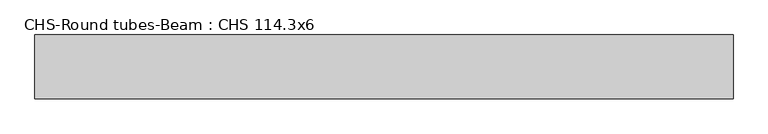
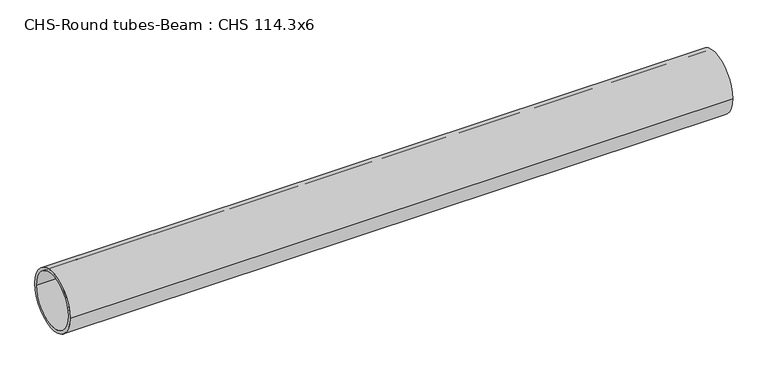
"""IFC4 building model written with IfcOpenShell, lengths in millimetres: beam geometry, CHS-Round tubes-Beam : CHS 114.3x6."""

from ifc_helpers import new_model, si_unit, point, frame, origin, origin_2d, place, context, project, spatial, circle_curve, trimmed, segment, composite_curve, outline, extrude, source, transform, mapped, element, save


def chs_round_tubes_beam_chs_114_3x6_db41c3c8(model_context):
    return source(origin(), model_context, "Body", "SweptSolid", [
        extrude(outline(composite_curve([segment(trimmed(circle_curve(origin_2d(), 57.15), [point((57.15, 0.0))], [point((-57.15, 0.0))], False, "CARTESIAN"), True, "CONTINUOUS"), segment(trimmed(circle_curve(origin_2d(), 57.15), [point((-57.15, 0.0))], [point((57.15, 0.0))], False, "CARTESIAN"), True, "CONTINUOUS")], self_intersect=False), holes=[composite_curve([segment(trimmed(circle_curve(origin_2d(), 51.15), [point((51.15, 0.0))], [point((-51.15, 0.0))], True, "CARTESIAN"), True, "CONTINUOUS"), segment(trimmed(circle_curve(origin_2d(), 51.15), [point((-51.15, 0.0))], [point((51.15, 0.0))], True, "CARTESIAN"), True, "CONTINUOUS")], self_intersect=False)]), frame((-625.5158917, 0.0, 0.0), z_axis=(1.0, 0.0, 0.0), x_axis=(0.0, 1.0, 0.0)), (0.0, 0.0, 1.0), 1245.5597961),
    ])


if __name__ == "__main__":
    model = new_model("IFC4")
    model_context = context("Model", 3, world=origin())
    ifc_project = project(units=[si_unit("LENGTHUNIT", "METRE", prefix="MILLI")], contexts=[model_context])
    site = spatial("IfcSite", under=ifc_project)
    building = spatial("IfcBuilding", under=site)
    placement = place(None, origin())
    chs_round_tubes_beam_chs_114_3x6_shape = chs_round_tubes_beam_chs_114_3x6_db41c3c8(model_context)
    element("IfcBeam", 1, ObjectType="CHS-Round tubes-Beam : CHS 114.3x6", at=placement, inside=building, context=model_context, shape_type="MappedRepresentation", body=[
        mapped(chs_round_tubes_beam_chs_114_3x6_shape, transform((0.0, 0.0, 0.0), x_axis=(1.0, 0.0, 0.0), y_axis=(0.0, 1.0, 0.0), z_axis=(0.0, 0.0, 1.0))),
    ])
    save(model, "model.ifc")
